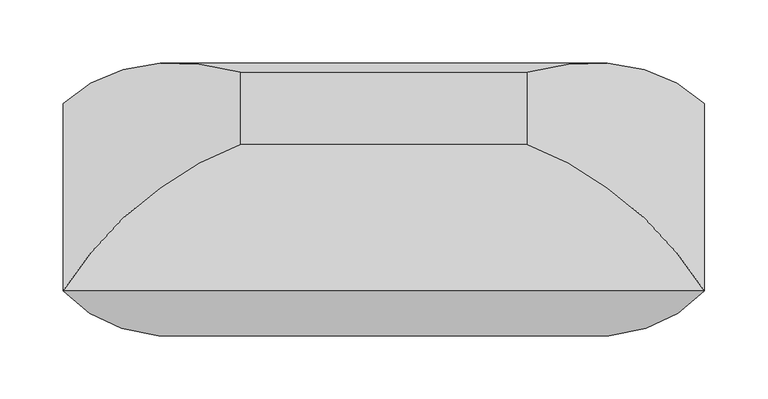
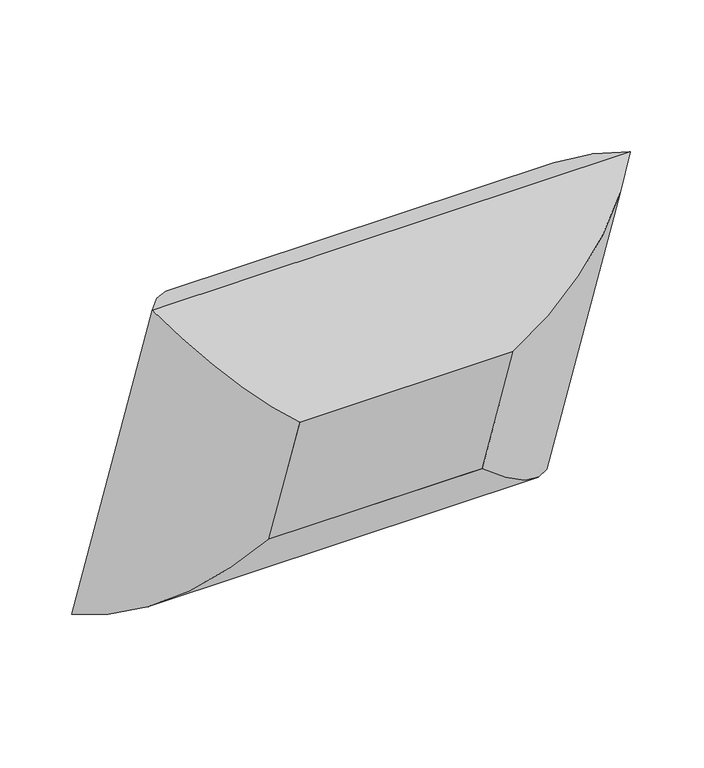
"""IFC4 building model written with IfcOpenShell, lengths in millimetres: furniture geometry."""

from ifc_helpers import new_model, si_unit, frame, origin, place, context, project, spatial, polyline, ellipse_curve, outline, extrude, source, transform, mapped, element, save
from ifc_brep_helpers import plane_surface, cylinder_surface, advanced_brep


def furniture_8c05061d(model_context):
    return source(origin(), model_context, "Body", "SolidModel", [
        advanced_brep(
        [(-113.50625, -176.632238, 705.5911293), (-253.6741804, -148.6376072, 863.4749557), (-253.6741804, 0.0, 431.8), (-113.50625, -119.2630596, 538.9789373), (-113.50625, -32.5352071, 755.2077161), (-113.50625, 24.8339713, 588.5955241), (253.6741804, 0.0, 431.8), (113.50625, -119.2630596, 538.9789373), (113.50625, 24.8339713, 588.5955241), (253.6741804, -148.6376072, 863.4749557), (113.50625, -176.632238, 705.5911293), (113.50625, -32.5352071, 755.2077161)],
        [
            (0, 1, ellipse_curve(frame((-108.726504, -10.8491478, 757.6196669), z_axis=(-0.7071067811865478, 0.23021144975504007, -0.6685825965441236), x_axis=(-0.7071067811865471, -0.23021144975504032, 0.668582596544124)), 245.7274984, 173.7555804)),
            (1, 2),
            (2, 3, ellipse_curve(frame((-108.726504, 43.4077645, 600.0461521), z_axis=(-0.7071067811865472, -0.23021144975504015, 0.668582596544124), x_axis=(0.7071067811865478, -0.23021144975504026, 0.6685825965441236)), 245.7274984, 173.7555804)),
            (3, 0),
            (4, 0),
            (3, 5),
            (5, 4),
            (1, 4, ellipse_curve(frame((-104.3179464, -205.7447289, 685.8491549), z_axis=(-0.7071067811865478, 0.23021144975504007, -0.6685825965441236), x_axis=(-0.7071067811865471, -0.23021144975504032, 0.668582596544124)), 263.8641638, 186.5801395)),
            (5, 2, ellipse_curve(frame((-104.3179464, -154.3583886, 536.6123863), z_axis=(-0.7071067811865472, -0.23021144975504015, 0.668582596544124), x_axis=(0.7071067811865478, -0.23021144975504026, 0.6685825965441236)), 263.8641638, 186.5801395)),
            (2, 6),
            (6, 7, ellipse_curve(frame((108.726504, 43.4077645, 600.0461521), z_axis=(-0.7071067811865477, 0.2302114497550404, -0.6685825965441234), x_axis=(-0.7071067811865475, -0.23021144975504032, 0.6685825965441239)), 245.7274984, 173.7555804)),
            (7, 3),
            (7, 8),
            (8, 5),
            (8, 6, ellipse_curve(frame((104.3179464, -154.3583886, 536.6123863), z_axis=(-0.7071067811865477, 0.2302114497550404, -0.6685825965441234), x_axis=(-0.7071067811865475, -0.23021144975504032, 0.6685825965441239)), 263.8641638, 186.5801395)),
            (6, 9),
            (9, 10, ellipse_curve(frame((108.726504, -10.8491478, 757.6196669), z_axis=(0.7071067811865472, 0.23021144975504046, -0.668582596544124), x_axis=(-0.7071067811865478, 0.23021144975504024, -0.6685825965441234)), 245.7274984, 173.7555804)),
            (10, 7),
            (10, 11),
            (11, 8),
            (11, 9, ellipse_curve(frame((104.3179464, -205.7447289, 685.8491549), z_axis=(0.7071067811865472, 0.23021144975504046, -0.668582596544124), x_axis=(-0.7071067811865478, 0.23021144975504024, -0.6685825965441234)), 263.8641638, 186.5801395)),
            (9, 1),
            (0, 10),
            (4, 11),
        ],
        [
            cylinder_surface(frame((-108.726504, -12.4052809, 762.1390055), z_axis=(0.0, -0.3255681544571502, 0.9455185755993191), x_axis=(0.0, -0.9455185755993191, -0.3255681544571502)), 173.7555804),
            plane_surface(frame((-113.50625, -176.632238, 705.5911293), z_axis=(1.0, 0.0, 0.0), x_axis=(0.0, 0.32556815445715076, -0.9455185755993188))),
            cylinder_surface(frame((-104.3179464, -208.736148, 694.5368666), z_axis=(0.0, -0.3255681544571502, 0.9455185755993191), x_axis=(0.0, -0.9455185755993191, -0.3255681544571502)), 186.5801395),
            cylinder_surface(frame((-113.50625, 43.4077645, 600.0461521), z_axis=(-1.0, 0.0, 0.0), x_axis=(0.0, -0.9455185755993192, -0.32556815445715)), 173.7555804),
            plane_surface(frame((-113.50625, -119.2630596, 538.9789373), z_axis=(0.0, -0.3255681544571498, 0.9455185755993192), x_axis=(1.0, 0.0, 0.0))),
            cylinder_surface(frame((-113.50625, -154.3583886, 536.6123863), z_axis=(-1.0, 0.0, 0.0), x_axis=(0.0, -0.9455185755993192, -0.32556815445715)), 186.5801395),
            cylinder_surface(frame((108.726504, 44.9638976, 595.5268135), z_axis=(0.0, 0.3255681544571504, -0.9455185755993191), x_axis=(0.0, -0.9455185755993191, -0.3255681544571504)), 173.7555804),
            plane_surface(frame((113.50625, -119.2630596, 538.9789373), z_axis=(-1.0, 0.0, 0.0), x_axis=(0.0, -0.3255681544571503, 0.9455185755993191))),
            cylinder_surface(frame((104.3179464, -151.3669696, 527.9246746), z_axis=(0.0, 0.3255681544571504, -0.9455185755993191), x_axis=(0.0, -0.9455185755993191, -0.3255681544571504)), 186.5801395),
            cylinder_surface(frame((113.50625, -10.8491478, 757.6196669), z_axis=(1.0, 0.0, 0.0), x_axis=(0.0, -0.945518575599319, -0.32556815445715087)), 173.7555804),
            plane_surface(frame((113.50625, -176.632238, 705.5911293), z_axis=(0.0, 0.325568154457151, -0.9455185755993188), x_axis=(-1.0, 0.0, 0.0))),
            cylinder_surface(frame((113.50625, -205.7447289, 685.8491549), z_axis=(1.0, 0.0, 0.0), x_axis=(0.0, -0.945518575599319, -0.32556815445715087)), 186.5801395),
        ],
        [
            (0, [[1, 2, 3, 4]]),
            (1, [[5, -4, 6, 7]]),
            (2, [[8, -7, 9, -2]]),
            (3, [[-3, 10, 11, 12]]),
            (4, [[-6, -12, 13, 14]]),
            (5, [[-9, -14, 15, -10]]),
            (6, [[-11, 16, 17, 18]]),
            (7, [[-13, -18, 19, 20]]),
            (8, [[-15, -20, 21, -16]]),
            (9, [[-17, 22, -1, 23]]),
            (10, [[-19, -23, -5, 24]]),
            (11, [[-21, -24, -8, -22]]),
        ],
    ),
        extrude(outline(polyline([(0.0, -227.0125), (0.0, 0.0), (152.4, 0.0), (152.4, -227.0125), (0.0, -227.0125)])), frame((-113.50625, -119.2630596, 538.9789373), z_axis=(0.0, -0.32556815445715037, 0.9455185755993191), x_axis=(0.0, 0.9455185755993191, 0.32556815445715037)), (0.0, 0.0, 1.0), 176.2125),
    ])


if __name__ == "__main__":
    model = new_model("IFC4")
    model_context = context("Model", 3, world=origin())
    ifc_project = project(units=[si_unit("LENGTHUNIT", "METRE", prefix="MILLI")], contexts=[model_context])
    site = spatial("IfcSite", under=ifc_project)
    building = spatial("IfcBuilding", under=site)
    placement = place(None, origin())
    furniture_shape = furniture_8c05061d(model_context)
    element("IfcFurniture", 1, at=placement, inside=building, context=model_context, shape_type="MappedRepresentation", body=[
        mapped(furniture_shape, transform((0.0, 0.0, 0.0), x_axis=(1.0, 0.0, 0.0), y_axis=(0.0, 1.0, 0.0), z_axis=(0.0, 0.0, 1.0))),
    ])
    save(model, "model.ifc")
